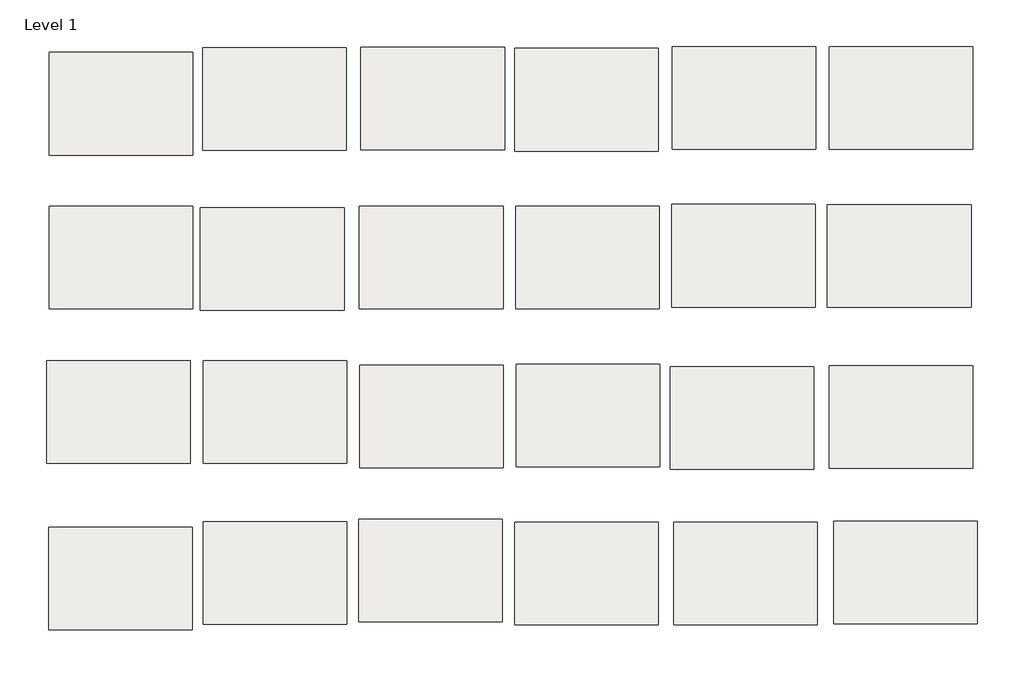
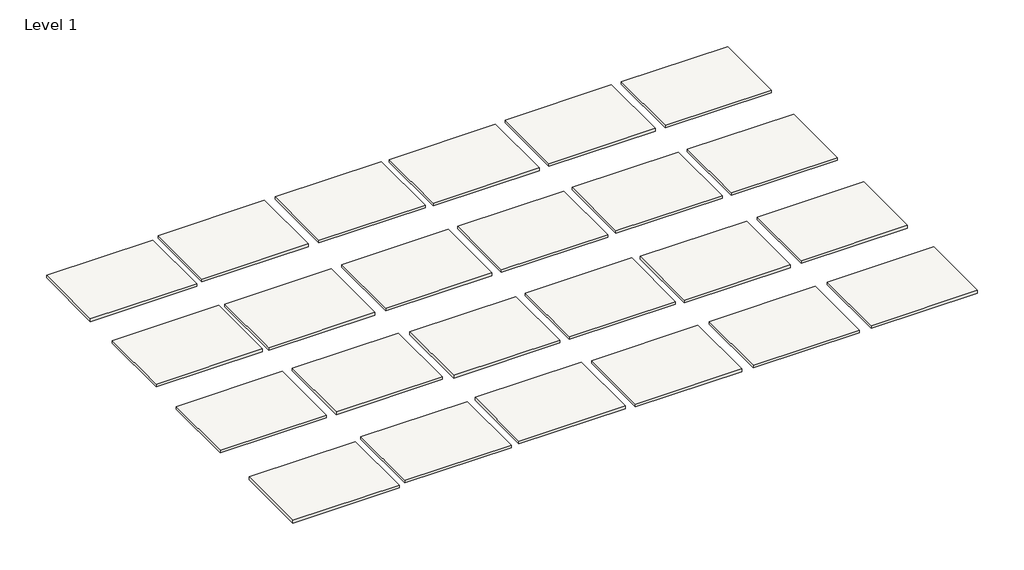
# One storey: 24 slabs.
"""IFC4 building model written with IfcOpenShell, lengths in millimetres."""

from ifc_helpers import new_model, si_unit, frame, origin, place, context, project, spatial, polyline, outline, extrude, element, save

model = new_model("IFC4")

# Units and contexts
model_context = context("Model", 3, world=origin())
ifc_project = project(units=[si_unit("LENGTHUNIT", "METRE", prefix="MILLI")], contexts=[model_context])

# Site, building, storey
site = spatial("IfcSite", under=ifc_project)
building = spatial("IfcBuilding", under=site)
storey = spatial("IfcBuildingStorey", under=building, Name="Level 1", Elevation=0.0)

# Slabs
placement = place(None, origin())
element("IfcSlab", 1, at=placement, inside=storey, context=model_context, shape_type="SweptSolid", body=[
    extrude(outline(polyline([(-3074.3096956, -266.687497), (-3074.3096956, -12.687497), (-2718.7096956, -12.687497), (-2718.7096956, -266.687497), (-3074.3096956, -266.687497)])), frame((0.0, 0.0, -9.525), z_axis=(0.0, 0.0, 1.0), x_axis=(1.0, 0.0, 0.0)), (0.0, 0.0, 1.0), 9.525),
])
element("IfcSlab", 2, at=placement, inside=storey, context=model_context, shape_type="SweptSolid", body=[
    extrude(outline(polyline([(-1907.3365772, -258.379515), (-1907.3365772, -4.379515), (-1551.7365772, -4.379515), (-1551.7365772, -258.379515), (-1907.3365772, -258.379515)])), frame((0.0, 0.0, -9.525), z_axis=(0.0, 0.0, 1.0), x_axis=(1.0, 0.0, 0.0)), (0.0, 0.0, 1.0), 9.525),
])
element("IfcSlab", 3, at=placement, inside=storey, context=model_context, shape_type="SweptSolid", body=[
    extrude(outline(polyline([(-3067.0964533, -645.1914579), (-3067.0964533, -391.1914579), (-2711.4964533, -391.1914579), (-2711.4964533, -645.1914579), (-3067.0964533, -645.1914579)])), frame((0.0, 0.0, -9.525), z_axis=(0.0, 0.0, 1.0), x_axis=(1.0, 0.0, 0.0)), (0.0, 0.0, 1.0), 9.525),
])
element("IfcSlab", 4, at=placement, inside=storey, context=model_context, shape_type="SweptSolid", body=[
    extrude(outline(polyline([(-3448.8316681, 117.9156388), (-3448.8316681, 371.9156388), (-3093.2316681, 371.9156388), (-3093.2316681, 117.9156388), (-3448.8316681, 117.9156388)])), frame((0.0, 0.0, -9.525), z_axis=(0.0, 0.0, 1.0), x_axis=(1.0, 0.0, 0.0)), (0.0, 0.0, 1.0), 9.525),
])
element("IfcSlab", 5, at=placement, inside=storey, context=model_context, shape_type="SweptSolid", body=[
    extrude(outline(polyline([(-3068.5706475, 129.8889606), (-3068.5706475, 383.8889606), (-2712.9706475, 383.8889606), (-2712.9706475, 129.8889606), (-3068.5706475, 129.8889606)])), frame((0.0, 0.0, -9.525), z_axis=(0.0, 0.0, 1.0), x_axis=(1.0, 0.0, 0.0)), (0.0, 0.0, 1.0), 9.525),
])
element("IfcSlab", 6, at=placement, inside=storey, context=model_context, shape_type="SweptSolid", body=[
    extrude(outline(polyline([(-2676.7669272, 130.8343746), (-2676.7669272, 384.8343746), (-2321.1669272, 384.8343746), (-2321.1669272, 130.8343746), (-2676.7669272, 130.8343746)])), frame((0.0, 0.0, -9.525), z_axis=(0.0, 0.0, 1.0), x_axis=(1.0, 0.0, 0.0)), (0.0, 0.0, 1.0), 9.525),
])
element("IfcSlab", 7, at=placement, inside=storey, context=model_context, shape_type="SweptSolid", body=[
    extrude(outline(polyline([(-3067.4072651, -1044.1712106), (-3067.4072651, -790.1712106), (-2711.8072651, -790.1712106), (-2711.8072651, -1044.1712106), (-3067.4072651, -1044.1712106)])), frame((0.0, 0.0, -9.525), z_axis=(0.0, 0.0, 1.0), x_axis=(1.0, 0.0, 0.0)), (0.0, 0.0, 1.0), 9.525),
])
element("IfcSlab", 8, at=placement, inside=storey, context=model_context, shape_type="SweptSolid", body=[
    extrude(outline(polyline([(-2681.996315, -1037.7352411), (-2681.996315, -783.7352411), (-2326.396315, -783.7352411), (-2326.396315, -1037.7352411), (-2681.996315, -1037.7352411)])), frame((0.0, 0.0, -9.525), z_axis=(0.0, 0.0, 1.0), x_axis=(1.0, 0.0, 0.0)), (0.0, 0.0, 1.0), 9.525),
])
element("IfcSlab", 9, at=placement, inside=storey, context=model_context, shape_type="SweptSolid", body=[
    extrude(outline(polyline([(-1902.6756013, -1045.3915378), (-1902.6756013, -791.3915378), (-1547.0756013, -791.3915378), (-1547.0756013, -1045.3915378), (-1902.6756013, -1045.3915378)])), frame((0.0, 0.0, -9.525), z_axis=(0.0, 0.0, 1.0), x_axis=(1.0, 0.0, 0.0)), (0.0, 0.0, 1.0), 9.525),
])
element("IfcSlab", 10, at=placement, inside=storey, context=model_context, shape_type="SweptSolid", body=[
    extrude(outline(polyline([(-1505.8171628, -1043.1649674), (-1505.8171628, -789.1649674), (-1150.2171628, -789.1649674), (-1150.2171628, -1043.1649674), (-1505.8171628, -1043.1649674)])), frame((0.0, 0.0, -9.525), z_axis=(0.0, 0.0, 1.0), x_axis=(1.0, 0.0, 0.0)), (0.0, 0.0, 1.0), 9.525),
])
element("IfcSlab", 11, at=placement, inside=storey, context=model_context, shape_type="SweptSolid", body=[
    extrude(outline(polyline([(-2296.3756013, -1045.3915378), (-2296.3756013, -791.3915378), (-1940.7756013, -791.3915378), (-1940.7756013, -1045.3915378), (-2296.3756013, -1045.3915378)])), frame((0.0, 0.0, -9.525), z_axis=(0.0, 0.0, 1.0), x_axis=(1.0, 0.0, 0.0)), (0.0, 0.0, 1.0), 9.525),
])
element("IfcSlab", 12, ObjectType="Edgewood Base Mat MB 400 - HD Carpet Black Iron", at=placement, inside=storey, context=model_context, shape_type="SweptSolid", body=[
    extrude(outline(polyline([(-3448.8316681, -263.0843612), (-3448.8316681, -9.0843612), (-3093.2316681, -9.0843612), (-3093.2316681, -263.0843612), (-3448.8316681, -263.0843612)])), frame((0.0, 0.0, -9.525), z_axis=(0.0, 0.0, 1.0), x_axis=(1.0, 0.0, 0.0)), (0.0, 0.0, 1.0), 9.525),
])
element("IfcSlab", 13, ObjectType="Edgewood Base Mat MB 400 - HD Carpet Cast Iron", at=placement, inside=storey, context=model_context, shape_type="SweptSolid", body=[
    extrude(outline(polyline([(-2296.1598212, 127.9727014), (-2296.1598212, 381.9727014), (-1940.5598212, 381.9727014), (-1940.5598212, 127.9727014), (-2296.1598212, 127.9727014)])), frame((0.0, 0.0, -9.525), z_axis=(0.0, 0.0, 1.0), x_axis=(1.0, 0.0, 0.0)), (0.0, 0.0, 1.0), 9.525),
])
element("IfcSlab", 14, ObjectType="Edgewood Base Mat MB 400 - HD Carpet Denim", at=placement, inside=storey, context=model_context, shape_type="SweptSolid", body=[
    extrude(outline(polyline([(-2293.1316681, -263.0843612), (-2293.1316681, -9.0843612), (-1937.5316681, -9.0843612), (-1937.5316681, -263.0843612), (-2293.1316681, -263.0843612)])), frame((0.0, 0.0, -9.525), z_axis=(0.0, 0.0, 1.0), x_axis=(1.0, 0.0, 0.0)), (0.0, 0.0, 1.0), 9.525),
])
element("IfcSlab", 15, ObjectType="Edgewood Base Mat MB 400 - HD Carpet Espresso", at=placement, inside=storey, context=model_context, shape_type="SweptSolid", body=[
    extrude(outline(polyline([(-1521.6362128, -258.9884449), (-1521.6362128, -4.9884449), (-1166.0362128, -4.9884449), (-1166.0362128, -258.9884449), (-1521.6362128, -258.9884449)])), frame((0.0, 0.0, -9.525), z_axis=(0.0, 0.0, 1.0), x_axis=(1.0, 0.0, 0.0)), (0.0, 0.0, 1.0), 9.525),
])
element("IfcSlab", 16, ObjectType="Edgewood Base Mat MB 400 - HD Carpet Gray Castle", at=placement, inside=storey, context=model_context, shape_type="SweptSolid", body=[
    extrude(outline(polyline([(-2680.4816681, -263.0843612), (-2680.4816681, -9.0843612), (-2324.8816681, -9.0843612), (-2324.8816681, -263.0843612), (-2680.4816681, -263.0843612)])), frame((0.0, 0.0, -9.525), z_axis=(0.0, 0.0, 1.0), x_axis=(1.0, 0.0, 0.0)), (0.0, 0.0, 1.0), 9.525),
])
element("IfcSlab", 17, ObjectType="Edgewood Base Mat MB 400 - HD Carpet Java", at=placement, inside=storey, context=model_context, shape_type="SweptSolid", body=[
    extrude(outline(polyline([(-3455.3106385, -644.9427177), (-3455.3106385, -390.9427177), (-3099.7106385, -390.9427177), (-3099.7106385, -644.9427177), (-3455.3106385, -644.9427177)])), frame((0.0, 0.0, -9.525), z_axis=(0.0, 0.0, 1.0), x_axis=(1.0, 0.0, 0.0)), (0.0, 0.0, 1.0), 9.525),
])
element("IfcSlab", 18, ObjectType="Edgewood Base Mat MB 400 - HD Carpet Onyx", at=placement, inside=storey, context=model_context, shape_type="SweptSolid", body=[
    extrude(outline(polyline([(-1905.7870433, 132.6562296), (-1905.7870433, 386.6562296), (-1550.1870433, 386.6562296), (-1550.1870433, 132.6562296), (-1905.7870433, 132.6562296)])), frame((0.0, 0.0, -9.525), z_axis=(0.0, 0.0, 1.0), x_axis=(1.0, 0.0, 0.0)), (0.0, 0.0, 1.0), 9.525),
])
element("IfcSlab", 19, ObjectType="Edgewood Base Mat MB 400 - HD Carpet Shadow", at=placement, inside=storey, context=model_context, shape_type="SweptSolid", body=[
    extrude(outline(polyline([(-1516.9895118, 132.0248298), (-1516.9895118, 386.0248298), (-1161.3895118, 386.0248298), (-1161.3895118, 132.0248298), (-1516.9895118, 132.0248298)])), frame((0.0, 0.0, -9.525), z_axis=(0.0, 0.0, 1.0), x_axis=(1.0, 0.0, 0.0)), (0.0, 0.0, 1.0), 9.525),
])
element("IfcSlab", 20, ObjectType="Edgewood Base Mat MB 400 - HD Carpet Spice", at=placement, inside=storey, context=model_context, shape_type="SweptSolid", body=[
    extrude(outline(polyline([(-2680.2979495, -656.156541), (-2680.2979495, -402.156541), (-2324.6979495, -402.156541), (-2324.6979495, -656.156541), (-2680.2979495, -656.156541)])), frame((0.0, 0.0, -9.525), z_axis=(0.0, 0.0, 1.0), x_axis=(1.0, 0.0, 0.0)), (0.0, 0.0, 1.0), 9.525),
])
element("IfcSlab", 21, ObjectType="Edgewood Base Mat MB 400 - HD Carpet Suede", at=placement, inside=storey, context=model_context, shape_type="SweptSolid", body=[
    extrude(outline(polyline([(-2291.9977522, -654.3368374), (-2291.9977522, -400.3368374), (-1936.3977522, -400.3368374), (-1936.3977522, -654.3368374), (-2291.9977522, -654.3368374)])), frame((0.0, 0.0, -9.525), z_axis=(0.0, 0.0, 1.0), x_axis=(1.0, 0.0, 0.0)), (0.0, 0.0, 1.0), 9.525),
])
element("IfcSlab", 22, ObjectType="Edgewood Base Mat MB 400 - Vinyl Black", at=placement, inside=storey, context=model_context, shape_type="SweptSolid", body=[
    extrude(outline(polyline([(-1911.0120886, -660.166581), (-1911.0120886, -406.166581), (-1555.4120886, -406.166581), (-1555.4120886, -660.166581), (-1911.0120886, -660.166581)])), frame((0.0, 0.0, -9.525), z_axis=(0.0, 0.0, 1.0), x_axis=(1.0, 0.0, 0.0)), (0.0, 0.0, 1.0), 9.525),
])
element("IfcSlab", 23, ObjectType="Edgewood Base Mat MB 400 - Vinyl Brown", at=placement, inside=storey, context=model_context, shape_type="SweptSolid", body=[
    extrude(outline(polyline([(-1517.382236, -657.5566461), (-1517.382236, -403.5566461), (-1161.782236, -403.5566461), (-1161.782236, -657.5566461), (-1517.382236, -657.5566461)])), frame((0.0, 0.0, -9.525), z_axis=(0.0, 0.0, 1.0), x_axis=(1.0, 0.0, 0.0)), (0.0, 0.0, 1.0), 9.525),
])
element("IfcSlab", 24, ObjectType="Edgewood Base Mat MB 400 - Vinyl Gray", at=placement, inside=storey, context=model_context, shape_type="SweptSolid", body=[
    extrude(outline(polyline([(-3449.9976479, -1058.006668), (-3449.9976479, -804.006668), (-3094.3976479, -804.006668), (-3094.3976479, -1058.006668), (-3449.9976479, -1058.006668)])), frame((0.0, 0.0, -9.525), z_axis=(0.0, 0.0, 1.0), x_axis=(1.0, 0.0, 0.0)), (0.0, 0.0, 1.0), 9.525),
])

save(model, "model.ifc")
